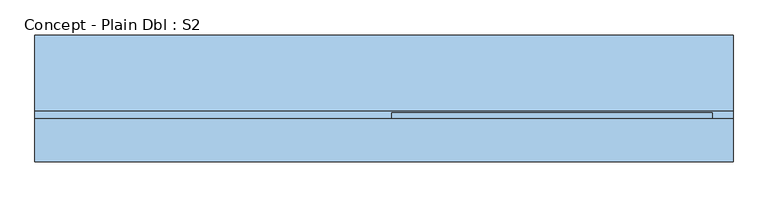
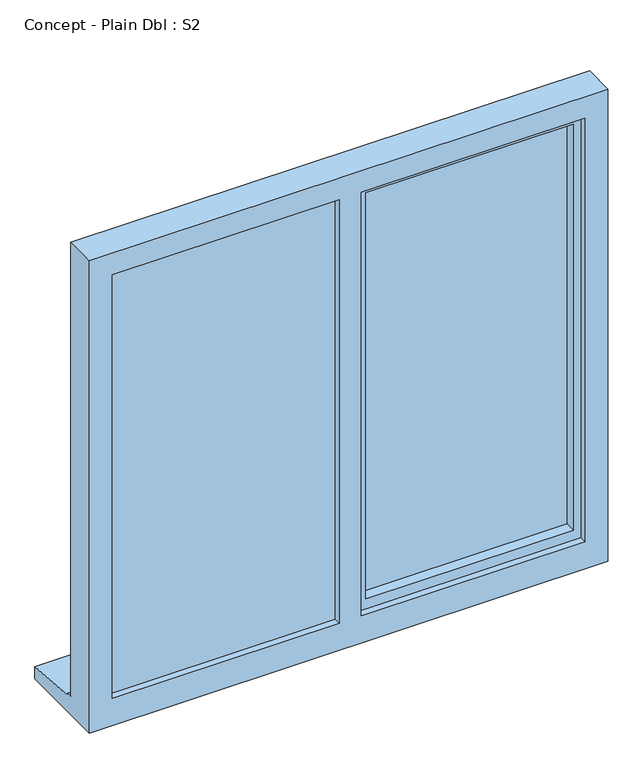
"""IFC4 building model written with IfcOpenShell, lengths in millimetres: window geometry, Concept - Plain Dbl : S2."""

from ifc_helpers import new_model, si_unit, frame, origin, place, context, project, spatial, polyline, outline, extrude, faceted_brep, source, transform, mapped, element, save


def concept_plain_dbl_s2_8108ce70(model_context):
    return source(origin(), model_context, "Body", "SolidModel", [
        extrude(outline(polyline([(320.0, -2.5434322), (-240.0, -2.5434322), (-240.0, 21.4565678), (320.0, 21.4565678), (320.0, -2.5434322)])), frame((0.0, 0.0, 903.0), z_axis=(0.0, 0.0, 1.0), x_axis=(1.0, 0.0, 0.0)), (0.0, 0.0, 1.0), 1137.0),
        extrude(outline(polyline([(-920.0, -7.5434322), (-300.0, -7.5434322), (-300.0, -31.5434322), (-920.0, -31.5434322), (-920.0, -7.5434322)])), frame((0.0, 0.0, 873.0), z_axis=(0.0, 0.0, 1.0), x_axis=(1.0, 0.0, 0.0)), (0.0, 0.0, 1.0), 1197.0),
        faceted_brep([(390.0, -49.5434322, 2110.0), (-960.0, -49.5434322, 2110.0), (-960.0, -49.5434322, 810.0), (390.0, -49.5434322, 810.0), (330.0, -49.5434322, 2050.0), (330.0, -49.5434322, 885.0), (-252.0, -49.5434322, 885.0), (-252.0, -49.5434322, 2050.0), (-310.0, -49.5434322, 2050.0), (-310.0, -49.5434322, 885.0), (-900.0, -49.5434322, 885.0), (-900.0, -49.5434322, 2050.0), (-960.0, 33.4565678, 2110.0), (-960.0, 33.4565678, 861.0), (-960.0, 48.4565678, 859.68767), (-960.0, 48.4565678, 854.7449676), (-960.0, 195.9565678, 843.8088847), (-960.0, 195.9565678, 810.0), (390.0, 33.4565678, 2110.0), (390.0, 33.4565678, 861.0), (-920.0, 33.4565678, 2070.0), (-920.0, 33.4565678, 873.0), (-310.0, 33.4565678, 873.0), (-310.0, 33.4565678, 2070.0), (-270.0, 33.4565678, 2070.0), (-270.0, 33.4565678, 873.0), (350.0, 33.4565678, 873.0), (350.0, 33.4565678, 2070.0), (-920.0, -31.5434322, 2070.0), (-920.0, -31.5434322, 873.0), (-300.0, -31.5434322, 2070.0), (-300.0, -31.5434322, 873.0), (-310.0, -31.5434322, 2050.0), (-900.0, -31.5434322, 2050.0), (-900.0, -31.5434322, 885.0), (-310.0, -31.5434322, 885.0), (-270.0, -31.5434322, 2070.0), (350.0, -31.5434322, 2070.0), (350.0, -31.5434322, 873.0), (-270.0, -31.5434322, 873.0), (330.0, -31.5434322, 2050.0), (-252.0, -31.5434322, 2050.0), (-252.0, -31.5434322, 885.0), (330.0, -31.5434322, 885.0), (-310.0, -7.5434322, 2070.0), (-300.0, -7.5434322, 2070.0), (390.0, 195.9565678, 810.0), (390.0, 195.9565678, 843.8088847), (390.0, 48.4565678, 854.7449676), (390.0, 48.4565678, 859.68767), (-300.0, -7.5434322, 873.0), (-310.0, -7.5434322, 873.0)], [[[0, 1, 2, 3], [4, 5, 6, 7], [8, 9, 10, 11]], [[2, 1, 12, 13, 14, 15, 16, 17]], [[13, 12, 18, 19], [20, 21, 22, 23], [24, 25, 26, 27]], [[21, 20, 28, 29]], [[28, 30, 31, 29], [32, 33, 34, 35]], [[36, 37, 38, 39], [40, 41, 42, 43]], [[33, 11, 10, 34]], [[1, 0, 18, 12]], [[28, 20, 23, 44, 45, 30]], [[27, 37, 36, 24]], [[11, 33, 32, 8]], [[40, 4, 7, 41]], [[19, 18, 0, 3, 46, 47, 48, 49]], [[27, 26, 38, 37]], [[4, 40, 43, 5]], [[45, 50, 31, 30]], [[50, 45, 44, 51]], [[51, 44, 23, 22]], [[25, 24, 36, 39]], [[41, 7, 6, 42]], [[8, 32, 35, 9]], [[46, 3, 2, 17]], [[47, 46, 17, 16]], [[48, 47, 16, 15]], [[49, 48, 15, 14]], [[19, 49, 14, 13]], [[22, 21, 29, 31, 50, 51]], [[26, 25, 39, 38]], [[6, 5, 43, 42]], [[35, 34, 10, 9]]]),
        extrude(outline(polyline([(2050.0, -310.0), (2070.0, -310.0), (2070.0, -920.0), (873.0, -920.0), (873.0, -310.0), (893.0, -310.0), (893.0, -900.0), (2050.0, -900.0), (2050.0, -310.0)])), frame((0.0, -7.5434322, 0.0), z_axis=(0.0, 1.0, 0.0), x_axis=(0.0, 0.0, 1.0)), (0.0, 0.0, 1.0), 41.0),
        faceted_brep([(-270.0, -31.5434322, 2070.0), (-270.0, 45.0035732, 2070.0), (-270.0, 45.0035732, 873.0), (-270.0, -31.5434322, 873.0), (-230.0, -2.5434322, 2030.0), (-230.0, -31.5434322, 2030.0), (-230.0, -31.5434322, 913.0), (-230.0, -2.5434322, 913.0), (-240.0, 21.4565678, 2040.0), (-240.0, -2.5434322, 2040.0), (-240.0, -2.5434322, 903.0), (-240.0, 21.4565678, 903.0), (-230.0, 45.0035732, 2030.0), (-230.0, 21.4565678, 2030.0), (-230.0, 21.4565678, 913.0), (-230.0, 45.0035732, 913.0), (350.0, 45.0035732, 873.0), (350.0, -31.5434322, 873.0), (310.0, -31.5434322, 913.0), (310.0, -2.5434322, 913.0), (320.0, -2.5434322, 903.0), (320.0, 21.4565678, 903.0), (310.0, 21.4565678, 913.0), (310.0, 45.0035732, 913.0), (350.0, 45.0035732, 2070.0), (350.0, -31.5434322, 2070.0), (310.0, -31.5434322, 2030.0), (310.0, -2.5434322, 2030.0), (320.0, -2.5434322, 2040.0), (320.0, 21.4565678, 2040.0), (310.0, 21.4565678, 2030.0), (310.0, 45.0035732, 2030.0)], [[[0, 1, 2, 3]], [[4, 5, 6, 7]], [[8, 9, 10, 11]], [[12, 13, 14, 15]], [[3, 2, 16, 17]], [[7, 6, 18, 19]], [[11, 10, 20, 21]], [[15, 14, 22, 23]], [[17, 16, 24, 25]], [[19, 18, 26, 27]], [[21, 20, 28, 29]], [[23, 22, 30, 31]], [[1, 24, 16, 2], [15, 23, 31, 12]], [[25, 24, 1, 0]], [[3, 17, 25, 0], [5, 26, 18, 6]], [[27, 26, 5, 4]], [[9, 28, 20, 10], [7, 19, 27, 4]], [[29, 28, 9, 8]], [[11, 21, 29, 8], [13, 30, 22, 14]], [[31, 30, 13, 12]]]),
    ])


if __name__ == "__main__":
    model = new_model("IFC4")
    model_context = context("Model", 3, world=origin())
    ifc_project = project(units=[si_unit("LENGTHUNIT", "METRE", prefix="MILLI")], contexts=[model_context])
    site = spatial("IfcSite", under=ifc_project)
    building = spatial("IfcBuilding", under=site)
    placement = place(None, origin())
    concept_plain_dbl_s2_shape = concept_plain_dbl_s2_8108ce70(model_context)
    element("IfcWindow", 1, ObjectType="Concept - Plain Dbl : S2", at=placement, inside=building, context=model_context, shape_type="MappedRepresentation", body=[
        mapped(concept_plain_dbl_s2_shape, transform((0.0, 0.0, 0.0), x_axis=(1.0, 0.0, 0.0), y_axis=(0.0, 1.0, 0.0), z_axis=(0.0, 0.0, 1.0))),
    ])
    save(model, "model.ifc")
